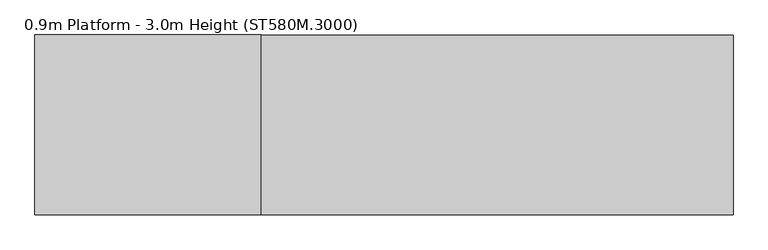
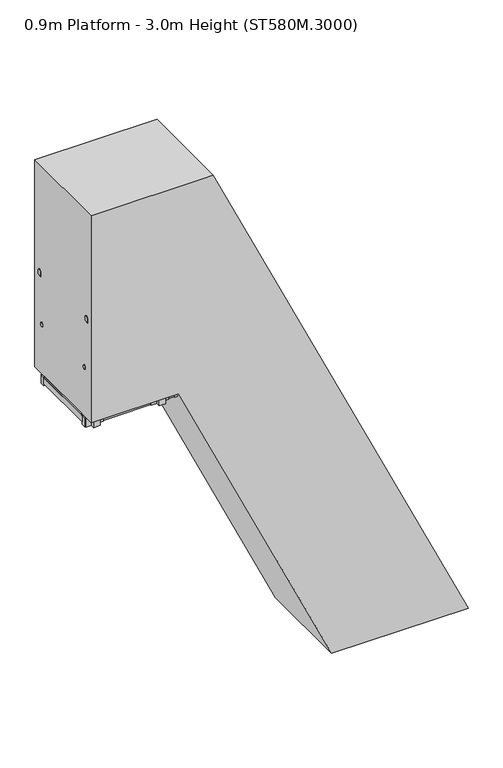
"""IFC4 building model written with IfcOpenShell, lengths in millimetres: proxy geometry, 0.9m Platform - 3.0m Height (ST580M.3000)."""

import ifcopenshell
import ifcopenshell.guid

model = None  # the IFC model being written
_history = None  # IfcOwnerHistory: only IFC2X3 demands one
_inside = {}  # id of a spatial element -> (the spatial element, [elements in it])
_under = {}  # id of a project, library or spatial element -> (it, [spatial elements below it])
_declared = {}  # id of a project -> (the project, [libraries it declares])
_typed = {}  # id of a type object -> (the type object, [elements of that type])
_made_of = {}  # id of a material, layer set ... -> (it, [elements and type objects made of it])


def new_model(schema):
    """Start an empty IFC model of exactly this schema.

    Asked for "IFC4X3", IfcOpenShell would pick the latest addendum, in which some entities
    have other attributes; the version numbers below select the first issue.
    IFC2X3 requires an IfcOwnerHistory on every rooted entity: one is made here for all.
    """
    global model, _history
    if schema == "IFC4X3":
        model = ifcopenshell.file(schema_version=(4, 3, 0, 0))
    else:
        model = ifcopenshell.file(schema=schema)
    _inside.clear()
    _under.clear()
    _declared.clear()
    _typed.clear()
    _made_of.clear()
    _history = None
    if model.schema == "IFC2X3":
        org = make("IfcOrganization", Name="unknown")
        user = make(
            "IfcPersonAndOrganization",
            ThePerson=make("IfcPerson", FamilyName="unknown"),
            TheOrganization=org,
        )
        app = make(
            "IfcApplication",
            ApplicationDeveloper=org,
            Version="unknown",
            ApplicationFullName="unknown",
            ApplicationIdentifier="unknown",
        )
        _history = make(
            "IfcOwnerHistory",
            OwningUser=user,
            OwningApplication=app,
            ChangeAction="ADDED",
            CreationDate=0,
        )
    return model


def make(cls, **values):
    """One entity of the class cls with the attributes given. An attribute that is None is left unset."""
    return model.create_entity(
        cls, **{name: value for name, value in values.items() if value is not None}
    )


def rooted(cls, **values):
    """An entity with a GlobalId (a new one), such as an element, a storey or a relation."""
    return make(cls, GlobalId=ifcopenshell.guid.new(), OwnerHistory=_history, **values)


def si_unit(unit_type, name, prefix=None):
    """IfcSIUnit, for example si_unit("LENGTHUNIT", "METRE", prefix="MILLI")."""
    return make("IfcSIUnit", UnitType=unit_type, Prefix=prefix, Name=name)


def assignment(units):
    """IfcUnitAssignment: the units of a project."""
    return None if units is None else make("IfcUnitAssignment", Units=units)


def point(xyz):
    """IfcCartesianPoint."""
    return None if xyz is None else make("IfcCartesianPoint", Coordinates=xyz)


def direction(xyz):
    """IfcDirection."""
    return None if xyz is None else make("IfcDirection", DirectionRatios=xyz)


def frame(location, z_axis=None, x_axis=None):
    """IfcAxis2Placement3D, a coordinate frame: its origin and axes. An axis left out is left unset."""
    return make(
        "IfcAxis2Placement3D",
        Location=point(location),
        Axis=direction(z_axis),
        RefDirection=direction(x_axis),
    )


def frame_2d(location, x_axis=None):
    """IfcAxis2Placement2D, a coordinate frame in the plane: its origin and x axis."""
    return make(
        "IfcAxis2Placement2D", Location=point(location), RefDirection=direction(x_axis)
    )


def origin():
    """The frame at (0, 0, 0) with its axes left unset."""
    return frame((0.0, 0.0, 0.0))


def origin_with_axes():
    """The frame at (0, 0, 0) with the z axis (0, 0, 1) and the x axis (1, 0, 0) written out."""
    return frame((0.0, 0.0, 0.0), z_axis=(0.0, 0.0, 1.0), x_axis=(1.0, 0.0, 0.0))


def place(relative_to, where):
    """IfcLocalPlacement: puts the frame where relative to a parent placement (None: the world)."""
    return make(
        "IfcLocalPlacement", PlacementRelTo=relative_to, RelativePlacement=where
    )


def context(
    kind, dimensions, precision=None, world=None, true_north=None, identifier=None
):
    """IfcGeometricRepresentationContext, for example the 3D "Model" context."""
    return make(
        "IfcGeometricRepresentationContext",
        ContextIdentifier=identifier,
        ContextType=kind,
        CoordinateSpaceDimension=dimensions,
        Precision=precision,
        WorldCoordinateSystem=world,
        TrueNorth=true_north,
    )


def project(units=None, contexts=None):
    """IfcProject with its units and contexts."""
    return rooted(
        "IfcProject",
        Name="project",
        RepresentationContexts=contexts,
        UnitsInContext=assignment(units),
    )


def spatial(cls, under=None, at=None, **own):
    """A site, building, storey or space (cls), placed at a placement, below another one or the project."""
    s = rooted(cls, ObjectPlacement=at, **own)
    if under is not None:
        _under.setdefault(under.id(), (under, []))[1].append(s)
    return s


def polyline(points):
    """IfcPolyline through the points."""
    return make("IfcPolyline", Points=[point(p) for p in points])


def circle_curve(where, radius):
    """IfcCircle in the frame where."""
    return make("IfcCircle", Position=where, Radius=radius)


def ellipse_curve(where, semi_axis1, semi_axis2):
    """IfcEllipse in the frame where."""
    return make(
        "IfcEllipse", Position=where, SemiAxis1=semi_axis1, SemiAxis2=semi_axis2
    )


def trimmed(basis, trim1, trim2, sense, master):
    """IfcTrimmedCurve: the piece of a basis curve between two trims."""
    return make(
        "IfcTrimmedCurve",
        BasisCurve=basis,
        Trim1=trim1,
        Trim2=trim2,
        SenseAgreement=sense,
        MasterRepresentation=master,
    )


def segment(curve, same_sense, transition):
    """IfcCompositeCurveSegment."""
    return make(
        "IfcCompositeCurveSegment",
        Transition=transition,
        SameSense=same_sense,
        ParentCurve=curve,
    )


def composite_curve(segments, self_intersect=None):
    """IfcCompositeCurve: segments joined end to end."""
    return make("IfcCompositeCurve", Segments=segments, SelfIntersect=self_intersect)


def outline(outer, holes=None, kind="AREA"):
    """IfcArbitraryClosedProfileDef: a profile drawn as a closed curve; with holes, ...WithVoids."""
    if holes is None:
        return make("IfcArbitraryClosedProfileDef", ProfileType=kind, OuterCurve=outer)
    return make(
        "IfcArbitraryProfileDefWithVoids",
        ProfileType=kind,
        OuterCurve=outer,
        InnerCurves=holes,
    )


def extrude(swept, where, along, depth):
    """IfcExtrudedAreaSolid: the profile swept, set in the frame where, extruded along a direction by depth."""
    return make(
        "IfcExtrudedAreaSolid",
        SweptArea=swept,
        Position=where,
        ExtrudedDirection=direction(along),
        Depth=depth,
    )


def shape(context_of_items, identifier, shape_type, items):
    """IfcShapeRepresentation: the items that make up one representation, for example the "Body"."""
    return make(
        "IfcShapeRepresentation",
        ContextOfItems=context_of_items,
        RepresentationIdentifier=identifier,
        RepresentationType=shape_type,
        Items=items,
    )


def source(mapping_origin, context_of_items, identifier, shape_type, items):
    """IfcRepresentationMap: a shape defined once, which mapped items show again and again."""
    return make(
        "IfcRepresentationMap",
        MappingOrigin=mapping_origin,
        MappedRepresentation=shape(context_of_items, identifier, shape_type, items),
    )


def transform(
    local_origin,
    x_axis=None,
    y_axis=None,
    z_axis=None,
    scale=None,
    scale2=None,
    scale3=None,
    uniform=True,
):
    """IfcCartesianTransformationOperator3D, or its non-uniform kind. x_axis, y_axis, z_axis: its Axis1, 2, 3."""
    if uniform:
        return make(
            "IfcCartesianTransformationOperator3D",
            Axis1=direction(x_axis),
            Axis2=direction(y_axis),
            LocalOrigin=point(local_origin),
            Scale=scale,
            Axis3=direction(z_axis),
        )
    return make(
        "IfcCartesianTransformationOperator3DnonUniform",
        Axis1=direction(x_axis),
        Axis2=direction(y_axis),
        LocalOrigin=point(local_origin),
        Scale=scale,
        Axis3=direction(z_axis),
        Scale2=scale2,
        Scale3=scale3,
    )


def mapped(mapping_source, mapping_target):
    """IfcMappedItem: shows the shape of a source again, moved by a transform."""
    return make(
        "IfcMappedItem", MappingSource=mapping_source, MappingTarget=mapping_target
    )


def made_of(thing, what):
    """Note that an element or type object is made of a material, layer set ...; save() writes the relation."""
    if what is not None:
        _made_of.setdefault(what.id(), (what, []))[1].append(thing)
    return thing


def element(
    cls,
    number,
    at=None,
    inside=None,
    cuts=None,
    type_object=None,
    material=None,
    context=None,
    identifier="Body",
    shape_type=None,
    held_by="IfcProductDefinitionShape",
    body=None,
    shapes=None,
    **own,
):
    """One element of the class cls, such as IfcWall. Its Tag is "e" and its number.

    at: its placement. inside: the storey or other place that contains it. cuts: it is an
    opening in that element (IfcRelVoidsElement). A single representation is given by context,
    identifier, shape_type and body (its items); several are given by shapes. held_by: the class
    of the entity that holds the representations. save() writes the other relations.
    """
    e = rooted(cls, Tag="e%d" % number, ObjectPlacement=at, **own)
    if body is not None:
        shapes = [shape(context, identifier, shape_type, body)]
    if shapes is not None:
        e.Representation = make(held_by, Representations=shapes)
    if inside is not None:
        _inside.setdefault(inside.id(), (inside, []))[1].append(e)
    if cuts is not None:
        rooted(
            "IfcRelVoidsElement", RelatingBuildingElement=cuts, RelatedOpeningElement=e
        )
    if type_object is not None:
        _typed.setdefault(type_object.id(), (type_object, []))[1].append(e)
    return made_of(e, material)


def aggregate(whole, parts):
    """IfcRelAggregates: a whole, such as a stair, and the parts it consists of."""
    return rooted("IfcRelAggregates", RelatingObject=whole, RelatedObjects=parts)


def save(model, path):
    """Write the relations noted so far, then the file.

    IfcRelAggregates (storeys below a building ...), IfcRelContainedInSpatialStructure (elements
    in a storey), IfcRelDefinesByType, IfcRelAssociatesMaterial and IfcRelDeclares: one each for
    every whole, place, type object, material and project.
    """
    for whole, parts in _under.values():
        aggregate(whole, parts)
    for where, things in _inside.values():
        rooted(
            "IfcRelContainedInSpatialStructure",
            RelatedElements=things,
            RelatingStructure=where,
        )
    for kind, things in _typed.values():
        rooted("IfcRelDefinesByType", RelatedObjects=things, RelatingType=kind)
    for what, things in _made_of.values():
        rooted("IfcRelAssociatesMaterial", RelatedObjects=things, RelatingMaterial=what)
    for by, libraries in _declared.values():
        rooted("IfcRelDeclares", RelatingContext=by, RelatedDefinitions=libraries)
    model.write(path)


def plane_surface(at):
    """IfcPlane: the flat surface through the origin of the frame at, square to its z axis."""
    return make("IfcPlane", Position=at)


def cylinder_surface(at, radius):
    """IfcCylindricalSurface: all points at the distance radius from the z axis of the frame at."""
    return make("IfcCylindricalSurface", Position=at, Radius=radius)


def advanced_brep(points, edges, surfaces, faces):
    """IfcAdvancedBrep: a solid bounded by faces that lie on surfaces and meet in shared edges.

    An edge is (start, end): straight between two places in points (the first is 0);
    or (start, end, curve); or (start, end, curve, False) where it runs against its curve.
    A face is (place in surfaces, loops), or (place, loops, False) where it looks against
    its surface's normal. A loop lists edges by number (the first is 1), with a minus sign
    where the edge is run from its end to its start. The first loop is the outer one.
    """
    corners = [point(p) for p in points]
    vertices = [make("IfcVertexPoint", VertexGeometry=c) for c in corners]
    made = []
    for start, end, *more in edges:
        made.append(
            make(
                "IfcEdgeCurve",
                EdgeStart=vertices[start],
                EdgeEnd=vertices[end],
                EdgeGeometry=more[0] if more else make("IfcPolyline", Points=[corners[start], corners[end]]),
                SameSense=more[1] if len(more) > 1 else True,
            )
        )
    hull = []
    for where, loops, *sense in faces:
        bounds = []
        for j, loop in enumerate(loops):
            ring = [make("IfcOrientedEdge", EdgeElement=made[abs(k) - 1], Orientation=k > 0) for k in loop]
            bounds.append(
                make(
                    "IfcFaceOuterBound" if j == 0 else "IfcFaceBound",
                    Bound=make("IfcEdgeLoop", EdgeList=ring),
                    Orientation=True,
                )
            )
        hull.append(make("IfcAdvancedFace", Bounds=bounds, FaceSurface=surfaces[where], SameSense=sense[0] if sense else True))
    return make("IfcAdvancedBrep", Outer=make("IfcClosedShell", CfsFaces=hull))


def proxy_0_9m_platform_3_0m_height_st580m_3000_2687ece0(model_context):
    return source(origin(), model_context, "Body", "SolidModel", [
        extrude(outline(polyline([(2750.0, -287.4249636), (2670.0, -250.120356), (2670.0, -139.782559), (2750.0, -177.0871716), (2750.0, -287.4249636)])), frame((0.0, 298.5, 0.0), z_axis=(0.0, 1.0, 0.0), x_axis=(0.0, 0.0, 1.0)), (0.0, 0.0, 1.0), 6.0),
        extrude(outline(polyline([(2750.0, -287.4249636), (2670.0, -250.120356), (2670.0, -139.782559), (2750.0, -177.0871716), (2750.0, -287.4249636)])), frame((0.0, -304.5, 0.0), z_axis=(0.0, 1.0, 0.0), x_axis=(0.0, 0.0, 1.0)), (0.0, 0.0, 1.0), 6.0),
        extrude(outline(polyline([(2750.0, -280.2530073), (2712.0999991, -262.5799491), (2712.0999991, -260.3731933), (2747.0, -276.6473288), (2747.0, -177.8950045), (2712.0999991, -161.6208668), (2712.0999991, -159.414111), (2750.0, -177.0871716), (2750.0, -197.5149128), (2749.2749538, -197.8530073), (2750.0, -198.1911019), (2750.0, -218.1149128), (2749.2749538, -218.4530073), (2750.0, -218.7911019), (2750.0, -238.7149128), (2749.2749538, -239.0530073), (2750.0, -239.3911019), (2750.0, -259.3149128), (2749.2749538, -259.6530073), (2750.0, -259.9911019), (2750.0, -280.2530073)])), frame((0.0, -298.5, 0.0), z_axis=(0.0, 1.0, 0.0), x_axis=(0.0, 0.0, 1.0)), (0.0, 0.0, 1.0), 597.0),
        extrude(outline(polyline([(2500.0, -170.8451391), (2420.0, -133.5405315), (2420.0, -23.2027344), (2500.0, -60.507347), (2500.0, -170.8451391)])), frame((0.0, 298.5, 0.0), z_axis=(0.0, 1.0, 0.0), x_axis=(0.0, 0.0, 1.0)), (0.0, 0.0, 1.0), 6.0),
        extrude(outline(polyline([(2500.0, -170.8451391), (2420.0, -133.5405315), (2420.0, -23.2027344), (2500.0, -60.507347), (2500.0, -170.8451391)])), frame((0.0, -304.5, 0.0), z_axis=(0.0, 1.0, 0.0), x_axis=(0.0, 0.0, 1.0)), (0.0, 0.0, 1.0), 6.0),
        extrude(outline(polyline([(2500.0, -163.6731828), (2462.0999991, -146.0001245), (2462.0999991, -143.7933687), (2497.0, -160.0675042), (2497.0, -61.3151799), (2462.0999991, -45.0410422), (2462.0999991, -42.8342864), (2500.0, -60.507347), (2500.0, -80.9350882), (2499.2749538, -81.2731828), (2500.0, -81.6112773), (2500.0, -101.5350882), (2499.2749538, -101.8731828), (2500.0, -102.2112773), (2500.0, -122.1350882), (2499.2749538, -122.4731828), (2500.0, -122.8112773), (2500.0, -142.7350882), (2499.2749538, -143.0731828), (2500.0, -143.4112773), (2500.0, -163.6731828)])), frame((0.0, -298.5, 0.0), z_axis=(0.0, 1.0, 0.0), x_axis=(0.0, 0.0, 1.0)), (0.0, 0.0, 1.0), 597.0),
        extrude(outline(polyline([(2250.0, -54.2653145), (2170.0, -16.9607069), (2170.0, 93.3770902), (2250.0, 56.0724775), (2250.0, -54.2653145)])), frame((0.0, 298.5, 0.0), z_axis=(0.0, 1.0, 0.0), x_axis=(0.0, 0.0, 1.0)), (0.0, 0.0, 1.0), 6.0),
        extrude(outline(polyline([(2250.0, -54.2653145), (2170.0, -16.9607069), (2170.0, 93.3770902), (2250.0, 56.0724775), (2250.0, -54.2653145)])), frame((0.0, -304.5, 0.0), z_axis=(0.0, 1.0, 0.0), x_axis=(0.0, 0.0, 1.0)), (0.0, 0.0, 1.0), 6.0),
        extrude(outline(polyline([(2250.0, -47.0933582), (2212.0999991, -29.4203), (2212.0999991, -27.2135442), (2247.0, -43.4876796), (2247.0, 55.2646447), (2212.0999991, 71.5387823), (2212.0999991, 73.7455382), (2250.0, 56.0724775), (2250.0, 35.6447364), (2249.2749538, 35.3066418), (2250.0, 34.9685472), (2250.0, 15.0447364), (2249.2749538, 14.7066418), (2250.0, 14.3685472), (2250.0, -5.5552636), (2249.2749538, -5.8933582), (2250.0, -6.2314528), (2250.0, -26.1552636), (2249.2749538, -26.4933582), (2250.0, -26.8314528), (2250.0, -47.0933582)])), frame((0.0, -298.5, 0.0), z_axis=(0.0, 1.0, 0.0), x_axis=(0.0, 0.0, 1.0)), (0.0, 0.0, 1.0), 597.0),
        extrude(outline(polyline([(2000.0, 62.3145101), (1920.0, 99.6191177), (1920.0, 209.9569147), (2000.0, 172.6523021), (2000.0, 62.3145101)])), frame((0.0, 298.5, 0.0), z_axis=(0.0, 1.0, 0.0), x_axis=(0.0, 0.0, 1.0)), (0.0, 0.0, 1.0), 6.0),
        extrude(outline(polyline([(2000.0, 62.3145101), (1920.0, 99.6191177), (1920.0, 209.9569147), (2000.0, 172.6523021), (2000.0, 62.3145101)])), frame((0.0, -304.5, 0.0), z_axis=(0.0, 1.0, 0.0), x_axis=(0.0, 0.0, 1.0)), (0.0, 0.0, 1.0), 6.0),
        extrude(outline(polyline([(2000.0, 69.4864664), (1962.0999991, 87.1595246), (1962.0999991, 89.3662804), (1997.0, 73.0921449), (1997.0, 171.8444692), (1962.0999991, 188.1186069), (1962.0999991, 190.3253627), (2000.0, 172.6523021), (2000.0, 152.2245609), (1999.2749538, 151.8864664), (2000.0, 151.5483718), (2000.0, 131.6245609), (1999.2749538, 131.2864664), (2000.0, 130.9483718), (2000.0, 111.0245609), (1999.2749538, 110.6864664), (2000.0, 110.3483718), (2000.0, 90.4245609), (1999.2749538, 90.0864664), (2000.0, 89.7483718), (2000.0, 69.4864664)])), frame((0.0, -298.5, 0.0), z_axis=(0.0, 1.0, 0.0), x_axis=(0.0, 0.0, 1.0)), (0.0, 0.0, 1.0), 597.0),
        extrude(outline(polyline([(1750.0, 178.8943346), (1670.0, 216.1989422), (1670.0, 326.5367393), (1750.0, 289.2321266), (1750.0, 178.8943346)])), frame((0.0, 298.5, 0.0), z_axis=(0.0, 1.0, 0.0), x_axis=(0.0, 0.0, 1.0)), (0.0, 0.0, 1.0), 6.0),
        extrude(outline(polyline([(1750.0, 178.8943346), (1670.0, 216.1989422), (1670.0, 326.5367393), (1750.0, 289.2321266), (1750.0, 178.8943346)])), frame((0.0, -304.5, 0.0), z_axis=(0.0, 1.0, 0.0), x_axis=(0.0, 0.0, 1.0)), (0.0, 0.0, 1.0), 6.0),
        extrude(outline(polyline([(1750.0, 186.0662909), (1712.0999991, 203.7393492), (1712.0999991, 205.9461049), (1747.0, 189.6719695), (1747.0, 288.4242938), (1712.0999991, 304.6984314), (1712.0999991, 306.9051873), (1750.0, 289.2321266), (1750.0, 268.8043855), (1749.2749538, 268.4662909), (1750.0, 268.1281963), (1750.0, 248.2043855), (1749.2749538, 247.8662909), (1750.0, 247.5281963), (1750.0, 227.6043855), (1749.2749538, 227.2662909), (1750.0, 226.9281963), (1750.0, 207.0043855), (1749.2749538, 206.6662909), (1750.0, 206.3281963), (1750.0, 186.0662909)])), frame((0.0, -298.5, 0.0), z_axis=(0.0, 1.0, 0.0), x_axis=(0.0, 0.0, 1.0)), (0.0, 0.0, 1.0), 597.0),
        extrude(outline(polyline([(1500.0, 295.4741592), (1420.0, 332.7787668), (1420.0, 443.1165638), (1500.0, 405.8119512), (1500.0, 295.4741592)])), frame((0.0, 298.5, 0.0), z_axis=(0.0, 1.0, 0.0), x_axis=(0.0, 0.0, 1.0)), (0.0, 0.0, 1.0), 6.0),
        extrude(outline(polyline([(1500.0, 295.4741592), (1420.0, 332.7787668), (1420.0, 443.1165638), (1500.0, 405.8119512), (1500.0, 295.4741592)])), frame((0.0, -304.5, 0.0), z_axis=(0.0, 1.0, 0.0), x_axis=(0.0, 0.0, 1.0)), (0.0, 0.0, 1.0), 6.0),
        extrude(outline(polyline([(1500.0, 302.6461155), (1462.0999991, 320.3191737), (1462.0999991, 322.5259295), (1497.0, 306.251794), (1497.0, 405.0041183), (1462.0999991, 421.278256), (1462.0999991, 423.4850118), (1500.0, 405.8119512), (1500.0, 385.38421), (1499.2749538, 385.0461155), (1500.0, 384.7080209), (1500.0, 364.78421), (1499.2749538, 364.4461155), (1500.0, 364.1080209), (1500.0, 344.18421), (1499.2749538, 343.8461155), (1500.0, 343.5080209), (1500.0, 323.58421), (1499.2749538, 323.2461155), (1500.0, 322.9080209), (1500.0, 302.6461155)])), frame((0.0, -298.5, 0.0), z_axis=(0.0, 1.0, 0.0), x_axis=(0.0, 0.0, 1.0)), (0.0, 0.0, 1.0), 597.0),
        extrude(outline(polyline([(1250.0, 412.0539837), (1170.0, 449.3585913), (1170.0, 559.6963884), (1250.0, 522.3917758), (1250.0, 412.0539837)])), frame((0.0, 298.5, 0.0), z_axis=(0.0, 1.0, 0.0), x_axis=(0.0, 0.0, 1.0)), (0.0, 0.0, 1.0), 6.0),
        extrude(outline(polyline([(1250.0, 412.0539837), (1170.0, 449.3585913), (1170.0, 559.6963884), (1250.0, 522.3917758), (1250.0, 412.0539837)])), frame((0.0, -304.5, 0.0), z_axis=(0.0, 1.0, 0.0), x_axis=(0.0, 0.0, 1.0)), (0.0, 0.0, 1.0), 6.0),
        extrude(outline(polyline([(1250.0, 419.22594), (1212.0999991, 436.8989983), (1212.0999991, 439.1057541), (1247.0, 422.8316186), (1247.0, 521.5839429), (1212.0999991, 537.8580806), (1212.0999991, 540.0648364), (1250.0, 522.3917758), (1250.0, 501.9640346), (1249.2749538, 501.62594), (1250.0, 501.2878455), (1250.0, 481.3640346), (1249.2749538, 481.02594), (1250.0, 480.6878455), (1250.0, 460.7640346), (1249.2749538, 460.42594), (1250.0, 460.0878455), (1250.0, 440.1640346), (1249.2749538, 439.82594), (1250.0, 439.4878455), (1250.0, 419.22594)])), frame((0.0, -298.5, 0.0), z_axis=(0.0, 1.0, 0.0), x_axis=(0.0, 0.0, 1.0)), (0.0, 0.0, 1.0), 597.0),
        extrude(outline(polyline([(1000.0, 528.6338083), (920.0, 565.9384159), (920.0, 676.276213), (1000.0, 638.9716003), (1000.0, 528.6338083)])), frame((0.0, 298.5, 0.0), z_axis=(0.0, 1.0, 0.0), x_axis=(0.0, 0.0, 1.0)), (0.0, 0.0, 1.0), 6.0),
        extrude(outline(polyline([(1000.0, 528.6338083), (920.0, 565.9384159), (920.0, 676.276213), (1000.0, 638.9716003), (1000.0, 528.6338083)])), frame((0.0, -304.5, 0.0), z_axis=(0.0, 1.0, 0.0), x_axis=(0.0, 0.0, 1.0)), (0.0, 0.0, 1.0), 6.0),
        extrude(outline(polyline([(1000.0, 535.8057646), (962.0999991, 553.4788228), (962.0999991, 555.6855786), (997.0, 539.4114432), (997.0, 638.1637674), (962.0999991, 654.4379051), (962.0999991, 656.644661), (1000.0, 638.9716003), (1000.0, 618.5438592), (999.2749538, 618.2057646), (1000.0, 617.86767), (1000.0, 597.9438592), (999.2749538, 597.6057646), (1000.0, 597.26767), (1000.0, 577.3438592), (999.2749538, 577.0057646), (1000.0, 576.66767), (1000.0, 556.7438592), (999.2749538, 556.4057646), (1000.0, 556.06767), (1000.0, 535.8057646)])), frame((0.0, -298.5, 0.0), z_axis=(0.0, 1.0, 0.0), x_axis=(0.0, 0.0, 1.0)), (0.0, 0.0, 1.0), 597.0),
        extrude(outline(polyline([(750.0, 645.2136328), (670.0, 682.5182404), (670.0, 792.8560375), (750.0, 755.5514249), (750.0, 645.2136328)])), frame((0.0, 298.5, 0.0), z_axis=(0.0, 1.0, 0.0), x_axis=(0.0, 0.0, 1.0)), (0.0, 0.0, 1.0), 6.0),
        extrude(outline(polyline([(750.0, 645.2136328), (670.0, 682.5182404), (670.0, 792.8560375), (750.0, 755.5514249), (750.0, 645.2136328)])), frame((0.0, -304.5, 0.0), z_axis=(0.0, 1.0, 0.0), x_axis=(0.0, 0.0, 1.0)), (0.0, 0.0, 1.0), 6.0),
        extrude(outline(polyline([(750.0, 652.3855891), (712.0999991, 670.0586474), (712.0999991, 672.2654032), (747.0, 655.9912677), (747.0, 754.743592), (712.0999991, 771.0177297), (712.0999991, 773.2244855), (750.0, 755.5514249), (750.0, 735.1236837), (749.2749538, 734.7855891), (750.0, 734.4474946), (750.0, 714.5236837), (749.2749538, 714.1855891), (750.0, 713.8474946), (750.0, 693.9236837), (749.2749538, 693.5855891), (750.0, 693.2474946), (750.0, 673.3236837), (749.2749538, 672.9855891), (750.0, 672.6474946), (750.0, 652.3855891)])), frame((0.0, -298.5, 0.0), z_axis=(0.0, 1.0, 0.0), x_axis=(0.0, 0.0, 1.0)), (0.0, 0.0, 1.0), 597.0),
        extrude(outline(polyline([(500.0, 761.7934574), (420.0, 799.098065), (420.0, 909.4358621), (500.0, 872.1312494), (500.0, 761.7934574)])), frame((0.0, 298.5, 0.0), z_axis=(0.0, 1.0, 0.0), x_axis=(0.0, 0.0, 1.0)), (0.0, 0.0, 1.0), 6.0),
        extrude(outline(polyline([(500.0, 761.7934574), (420.0, 799.098065), (420.0, 909.4358621), (500.0, 872.1312494), (500.0, 761.7934574)])), frame((0.0, -304.5, 0.0), z_axis=(0.0, 1.0, 0.0), x_axis=(0.0, 0.0, 1.0)), (0.0, 0.0, 1.0), 6.0),
        extrude(outline(polyline([(500.0, 768.9654137), (462.0999991, 786.638472), (462.0999991, 788.8452277), (497.0, 772.5710923), (497.0, 871.3234166), (462.0999991, 887.5975542), (462.0999991, 889.8043101), (500.0, 872.1312494), (500.0, 851.7035083), (499.2749538, 851.3654137), (500.0, 851.0273191), (500.0, 831.1035083), (499.2749538, 830.7654137), (500.0, 830.4273191), (500.0, 810.5035083), (499.2749538, 810.1654137), (500.0, 809.8273191), (500.0, 789.9035083), (499.2749538, 789.5654137), (500.0, 789.2273191), (500.0, 768.9654137)])), frame((0.0, -298.5, 0.0), z_axis=(0.0, 1.0, 0.0), x_axis=(0.0, 0.0, 1.0)), (0.0, 0.0, 1.0), 597.0),
        extrude(outline(polyline([(0.0, -6.0), (0.0, 0.0), (50.0, 0.0), (50.0, -6.0), (0.0, -6.0)])), frame((68.898791, 296.0, 1938.5847001), z_axis=(-8.781861803253131e-06, 0.0, 0.9999999999614395), x_axis=(0.0, -1.0, 0.0)), (0.0, 0.0, 1.0), 120.0),
        extrude(outline(polyline([(2000.5856226, 173.9440907), (2058.585385, 146.8977372), (2058.5847001, 68.8977372), (2000.5847001, 68.8982465), (2000.5856226, 173.9440907)])), frame((0.0, 252.0, 0.0), z_axis=(0.0, 1.0, 0.0), x_axis=(0.0, 0.0, 1.0)), (0.0, 0.0, 1.0), 38.0),
        extrude(outline(polyline([(0.0, -6.0), (0.0, 0.0), (50.0, 0.0), (50.0, -6.0), (0.0, -6.0)])), frame((62.898791, -296.0, 1938.5846474), z_axis=(-8.78186180075513e-06, 0.0, 0.9999999999614396), x_axis=(0.0, 1.0, 0.0)), (0.0, 0.0, 1.0), 120.0),
        extrude(outline(polyline([(2000.5856226, 173.9440907), (2058.585385, 146.8977372), (2058.5847001, 68.8977372), (2000.5847001, 68.8982465), (2000.5856226, 173.9440907)])), frame((0.0, -290.0, 0.0), z_axis=(0.0, 1.0, 0.0), x_axis=(0.0, 0.0, 1.0)), (0.0, 0.0, 1.0), 38.0),
        extrude(outline(polyline([(0.0, -590.0), (0.0, 0.0), (2.0, 0.0), (2.0, -590.0), (0.0, -590.0)])), frame((1127.7195037, -295.0, 49.9008248), z_axis=(-0.42262622079413276, 0.0, 0.9063040756265356), x_axis=(-0.9063040756265356, 0.0, -0.42262622079413276)), (0.0, 0.0, 1.0), 2240.0),
        extrude(outline(polyline([(2250.0, 0.0), (2250.0, -600.0), (0.0, -600.0), (0.0, 0.0), (2250.0, 0.0)]), holes=[polyline([(1096.0, -58.0), (58.0, -58.0), (58.0, -542.0), (1096.0, -542.0), (1096.0, -58.0)]), polyline([(1154.0, -542.0), (2192.0, -542.0), (2192.0, -58.0), (1154.0, -58.0), (1154.0, -542.0)])]), frame((142.671475, 300.0, 2067.6484258), z_axis=(0.9063040756265356, 0.0, 0.42262622079413276), x_axis=(0.42262622079413276, 0.0, -0.9063040756265356)), (0.0, 0.0, 1.0), 38.0),
        extrude(outline(polyline([(0.0, 0.0), (79.9999999, 0.0), (79.9999999, -6.0), (5.9999999, -6.0), (5.9999999, -50.0), (0.0, -50.0), (0.0, 0.0)])), frame((1025.9602764, 343.0, 173.4729077), z_axis=(-0.42262622079413276, 0.0, 0.9063040756265356), x_axis=(-0.9063040756265356, 0.0, -0.42262622079413276)), (0.0, 0.0, 1.0), 50.0),
        extrude(outline(polyline([(0.0, 686.0), (0.0, 736.0), (5.9999999, 736.0), (5.9999999, 692.0), (79.9999999, 692.0), (79.9999999, 686.0), (0.0, 686.0)])), frame((1025.9602764, 343.0, 173.4729077), z_axis=(-0.42262622079413276, 0.0, 0.9063040756265356), x_axis=(-0.9063040756265356, 0.0, -0.42262622079413276)), (0.0, 0.0, 1.0), 50.0),
        extrude(outline(polyline([(-100.0, 0.0), (0.0, 0.0), (0.0, -50.0), (-6.0, -50.0), (-6.0, -6.0000001), (-100.0, -6.0000001), (-100.0, 0.0)])), frame((1025.9602764, -300.0, 173.4729077), z_axis=(-0.42262622079413276, 0.0, 0.9063040756265356), x_axis=(0.0, 1.0, 0.0)), (0.0, 0.0, 1.0), 50.0),
        extrude(outline(polyline([(700.0, 0.0), (700.0, -6.0000001), (606.0, -6.0000001), (606.0, -50.0), (600.0, -50.0), (600.0, 0.0), (700.0, 0.0)])), frame((1025.9602764, -300.0, 173.4729077), z_axis=(-0.42262622079413276, 0.0, 0.9063040756265356), x_axis=(0.0, 1.0, 0.0)), (0.0, 0.0, 1.0), 50.0),
        extrude(outline(polyline([(1117.980178, 629.6545025), (1132.3752601, 675.9041685), (1038.1196362, 719.8572955), (1011.9426011, 679.1017703), (989.2849992, 689.6674258), (993.5112614, 698.7304666), (1008.0121267, 691.9684471), (1034.1891617, 732.7239722), (1144.758259, 681.1635733), (1130.3631769, 634.9139072), (1144.8640421, 628.1518877), (1140.6377799, 619.088847), (1117.980178, 629.6545025)])), frame((0.0, 201.0, 0.0), z_axis=(0.0, 1.0, 0.0), x_axis=(0.0, 0.0, 1.0)), (0.0, 0.0, 1.0), 44.0),
        extrude(outline(polyline([(1117.980178, 629.6545025), (1132.3752601, 675.9041685), (1038.1196362, 719.8572955), (1011.9426011, 679.1017703), (989.2849992, 689.6674258), (993.5112614, 698.7304666), (1008.0121267, 691.9684471), (1034.1891617, 732.7239722), (1144.758259, 681.1635733), (1130.3631769, 634.9139072), (1144.8640421, 628.1518877), (1140.6377799, 619.088847), (1117.980178, 629.6545025)])), frame((0.0, -245.0, 0.0), z_axis=(0.0, 1.0, 0.0), x_axis=(0.0, 0.0, 1.0)), (0.0, 0.0, 1.0), 44.0),
        extrude(outline(polyline([(-0.0541093, 0.0), (0.7582532, 5.9447512), (185.4590012, 5.9447512), (254.8144323, -3.5328109), (254.0020698, -9.4775622), (184.6466388, 0.0), (-0.0541093, 0.0)])), frame((796.3613539, 375.0, 1079.9808913), z_axis=(-0.42262622079413276, 0.0, 0.9063040756265356), x_axis=(-0.8979587117354814, -0.13539374535780632, -0.41873462447753246)), (0.0, 0.0, 1.0), 80.0),
        extrude(outline(polyline([(-0.0541094, 0.0), (0.7582531, 5.9447512), (185.4590013, 5.9447512), (254.8144324, -3.5328109), (254.0020699, -9.4775622), (184.6466388, 0.0), (-0.0541094, 0.0)])), frame((-31.1832465, 375.0, 2854.6153252), z_axis=(-0.42262622079413276, 0.0, 0.9063040756265356), x_axis=(-0.8979587117354814, -0.13539374535780632, -0.41873462447753246)), (0.0, 0.0, 1.0), 80.0),
        extrude(outline(polyline([(0.0, 32.0), (3.0000001, 32.0), (3.0000001, 0.0), (0.0, 0.0), (0.0, 32.0)])), frame((811.8076407, 388.0, 1054.0823052), z_axis=(-0.42262622079413276, 0.0, 0.9063040756265356), x_axis=(-0.9063040756265356, 0.0, -0.42262622079413276)), (0.0, 0.0, 1.0), 140.0),
        extrude(outline(polyline([(0.0, 32.0), (3.0, 32.0), (3.0, 0.0), (0.0, 0.0), (0.0, 32.0)])), frame((-15.7369597, 388.0, 2828.716739), z_axis=(-0.42262622079413276, 0.0, 0.9063040756265356), x_axis=(-0.9063040756265356, 0.0, -0.42262622079413276)), (0.0, 0.0, 1.0), 140.0),
        extrude(outline(composite_curve([segment(trimmed(circle_curve(frame_2d((0.0, 14.189404)), 22.4521533), [point((-17.4, 0.0))], [point((17.4, 0.0))], False, "CARTESIAN"), True, "CONTINUOUS"), segment(polyline([(17.4, 0.0), (-17.4, 0.0)]), True, "CONTINUOUS")], self_intersect=False)), frame((883.6540982, 372.0, 900.0106123), z_axis=(-0.42262622079413276, 0.0, 0.9063040756265356), x_axis=(0.0, -1.0, 0.0)), (0.0, 0.0, 1.0), 3288.1004671),
        extrude(outline(polyline([(-0.0541093, 0.0), (184.6466389, 0.0), (254.0020699, 9.4775622), (254.8144324, 3.5328109), (185.4590014, -5.9447512), (0.7582532, -5.9447512), (-0.0541093, 0.0)])), frame((796.3608039, -375.0, 1079.9820711), z_axis=(-0.42262622079413276, 0.0, 0.9063040756265356), x_axis=(-0.8979587117354814, 0.13539374535780632, -0.41873462447753246)), (0.0, 0.0, 1.0), 80.0),
        extrude(outline(polyline([(-0.0541093, 0.0), (184.6466388, 0.0), (254.0020698, 9.4775622), (254.8144323, 3.5328109), (185.4590013, -5.9447512), (0.7582532, -5.9447512), (-0.0541093, 0.0)])), frame((-31.1837965, -375.0, 2854.6165049), z_axis=(-0.42262622079413276, 0.0, 0.9063040756265356), x_axis=(-0.8979587117354814, 0.13539374535780632, -0.41873462447753246)), (0.0, 0.0, 1.0), 80.0),
        extrude(outline(polyline([(0.0, -32.0), (0.0, 0.0), (3.0, 0.0), (3.0, -32.0), (0.0, -32.0)])), frame((811.8070906, -388.0, 1054.0834849), z_axis=(-0.42262622079413276, 0.0, 0.9063040756265356), x_axis=(-0.9063040756265356, 0.0, -0.42262622079413276)), (0.0, 0.0, 1.0), 140.0),
        extrude(outline(polyline([(0.0, -32.0), (0.0, 0.0), (2.9999999, 0.0), (2.9999999, -32.0), (0.0, -32.0)])), frame((-15.7375097, -388.0, 2828.7179187), z_axis=(-0.42262622079413276, 0.0, 0.9063040756265356), x_axis=(-0.9063040756265356, 0.0, -0.42262622079413276)), (0.0, 0.0, 1.0), 140.0),
        extrude(outline(composite_curve([segment(polyline([(-17.4, 0.0), (17.4, 0.0)]), True, "CONTINUOUS"), segment(trimmed(circle_curve(frame_2d((0.0, -14.189404)), 22.4521533), [point((17.4, 0.0))], [point((-17.4, 0.0))], False, "CARTESIAN"), True, "CONTINUOUS")], self_intersect=False)), frame((883.6535482, -372.0, 900.011792), z_axis=(-0.42262622079413276, 0.0, 0.9063040756265356), x_axis=(0.0, 1.0, 0.0)), (0.0, 0.0, 1.0), 3288.1004671),
        extrude(outline(polyline([(3000.0, -404.0047882), (2920.0, -366.7001806), (2920.0, -256.3623835), (3000.0, -293.6669962), (3000.0, -404.0047882)])), frame((0.0, 298.5, 0.0), z_axis=(0.0, 1.0, 0.0), x_axis=(0.0, 0.0, 1.0)), (0.0, 0.0, 1.0), 6.0),
        extrude(outline(polyline([(3000.0, -404.0047882), (2920.0, -366.7001806), (2920.0, -256.3623835), (3000.0, -293.6669962), (3000.0, -404.0047882)])), frame((0.0, -304.5, 0.0), z_axis=(0.0, 1.0, 0.0), x_axis=(0.0, 0.0, 1.0)), (0.0, 0.0, 1.0), 6.0),
        extrude(outline(polyline([(3000.0, -396.8328319), (2962.0999991, -379.1597736), (2962.0999991, -376.9530179), (2997.0, -393.2271533), (2997.0, -294.474829), (2962.0999991, -278.2006914), (2962.0999991, -275.9939355), (3000.0, -293.6669962), (3000.0, -314.0947373), (2999.2749538, -314.4328319), (3000.0, -314.7709265), (3000.0, -334.6947373), (2999.2749538, -335.0328319), (3000.0, -335.3709265), (3000.0, -355.2947373), (2999.2749538, -355.6328319), (3000.0, -355.9709265), (3000.0, -375.8947373), (2999.2749538, -376.2328319), (3000.0, -376.5709265), (3000.0, -396.8328319)])), frame((0.0, -298.5, 0.0), z_axis=(0.0, 1.0, 0.0), x_axis=(0.0, 0.0, 1.0)), (0.0, 0.0, 1.0), 597.0),
        extrude(outline(polyline([(250.0, 878.373282), (170.0, 915.6778896), (170.0, 1026.0156866), (250.0, 988.711074), (250.0, 878.373282)])), frame((0.0, 298.5, 0.0), z_axis=(0.0, 1.0, 0.0), x_axis=(0.0, 0.0, 1.0)), (0.0, 0.0, 1.0), 6.0),
        extrude(outline(polyline([(250.0, 878.373282), (170.0, 915.6778896), (170.0, 1026.0156866), (250.0, 988.711074), (250.0, 878.373282)])), frame((0.0, -304.5, 0.0), z_axis=(0.0, 1.0, 0.0), x_axis=(0.0, 0.0, 1.0)), (0.0, 0.0, 1.0), 6.0),
        extrude(outline(polyline([(250.0, 885.5452383), (212.0999991, 903.2182965), (212.0999991, 905.4250523), (247.0, 889.1509168), (247.0, 987.9032411), (212.0999991, 1004.1773788), (212.0999991, 1006.3841346), (250.0, 988.711074), (250.0, 968.2833328), (249.2749538, 967.9452383), (250.0, 967.6071437), (250.0, 947.6833328), (249.2749538, 947.3452383), (250.0, 947.0071437), (250.0, 927.0833328), (249.2749538, 926.7452383), (250.0, 926.4071437), (250.0, 906.4833328), (249.2749538, 906.1452383), (250.0, 905.8071437), (250.0, 885.5452383)])), frame((0.0, -298.5, 0.0), z_axis=(0.0, 1.0, 0.0), x_axis=(0.0, 0.0, 1.0)), (0.0, 0.0, 1.0), 597.0),
        extrude(outline(polyline([(-396.8328319, -304.5), (-434.8328319, -304.5), (-434.8328319, 304.5), (-396.8328319, 304.5), (-396.8328319, -304.5)])), frame((0.0, 0.0, 2901.0), z_axis=(0.0, 0.0, 1.0), x_axis=(1.0, 0.0, 0.0)), (0.0, 0.0, 1.0), 80.0),
        extrude(outline(polyline([(-1256.8328319, -304.5), (-1294.8328319, -304.5), (-1294.8328319, 304.5), (-1256.8328319, 304.5), (-1256.8328319, -304.5)])), frame((0.0, 0.0, 2923.0), z_axis=(0.0, 0.0, 1.0), x_axis=(1.0, 0.0, 0.0)), (0.0, 0.0, 1.0), 58.0),
        extrude(outline(polyline([(-826.8328319, -304.5), (-864.8328319, -304.5), (-864.8328319, 304.5), (-826.8328319, 304.5), (-826.8328319, -304.5)])), frame((0.0, 0.0, 2923.0), z_axis=(0.0, 0.0, 1.0), x_axis=(1.0, 0.0, 0.0)), (0.0, 0.0, 1.0), 58.0),
        extrude(outline(composite_curve([segment(polyline([(353.0, 3478.0), (353.0, 3468.0)]), True, "CONTINUOUS"), segment(trimmed(circle_curve(frame_2d((338.0, 3468.0)), 15.0), [point((353.0, 3468.0))], [point((323.0, 3468.0))], False, "CARTESIAN"), True, "CONTINUOUS"), segment(polyline([(323.0, 3468.0), (323.0, 3478.0)]), True, "CONTINUOUS"), segment(trimmed(circle_curve(frame_2d((338.0, 3478.0)), 15.0), [point((323.0, 3478.0))], [point((353.0, 3478.0))], False, "CARTESIAN"), True, "CONTINUOUS")], self_intersect=False)), frame((-1296.8328319, 0.0, 0.0), z_axis=(1.0, 0.0, 0.0), x_axis=(0.0, 1.0, 0.0)), (0.0, 0.0, 1.0), 885.0),
        extrude(outline(composite_curve([segment(trimmed(circle_curve(frame_2d((-338.0, 3478.0)), 15.0), [point((-353.0, 3478.0))], [point((-323.0, 3478.0))], False, "CARTESIAN"), True, "CONTINUOUS"), segment(polyline([(-323.0, 3478.0), (-323.0, 3468.0)]), True, "CONTINUOUS"), segment(trimmed(circle_curve(frame_2d((-338.0, 3468.0)), 15.0), [point((-323.0, 3468.0))], [point((-353.0, 3468.0))], False, "CARTESIAN"), True, "CONTINUOUS"), segment(polyline([(-353.0, 3468.0), (-353.0, 3478.0)]), True, "CONTINUOUS")], self_intersect=False)), frame((-1296.8328319, 0.0, 0.0), z_axis=(1.0, 0.0, 0.0), x_axis=(0.0, 1.0, 0.0)), (0.0, 0.0, 1.0), 885.0),
        extrude(outline(polyline([(-692.8328319, 353.0), (-532.8328319, 353.0), (-532.8328319, 343.0), (-692.8328319, 343.0), (-692.8328319, 353.0)])), frame((0.0, 0.0, 2901.0), z_axis=(0.0, 0.0, 1.0), x_axis=(1.0, 0.0, 0.0)), (0.0, 0.0, 1.0), 80.0),
        extrude(outline(polyline([(-692.8328319, -343.0), (-532.8328319, -343.0), (-532.8328319, -353.0), (-692.8328319, -353.0), (-692.8328319, -343.0)])), frame((0.0, 0.0, 2901.0), z_axis=(0.0, 0.0, 1.0), x_axis=(1.0, 0.0, 0.0)), (0.0, 0.0, 1.0), 80.0),
        extrude(outline(polyline([(-583.8328319, 391.0), (-583.8328319, 353.0), (-641.8328319, 353.0), (-641.8328319, 391.0), (-583.8328319, 391.0)])), frame((0.0, 0.0, 2901.0), z_axis=(0.0, 0.0, 1.0), x_axis=(1.0, 0.0, 0.0)), (0.0, 0.0, 1.0), 1029.0),
        extrude(outline(polyline([(-583.8328319, -353.0), (-583.8328319, -391.0), (-641.8328319, -391.0), (-641.8328319, -353.0), (-583.8328319, -353.0)])), frame((0.0, 0.0, 2901.0), z_axis=(0.0, 0.0, 1.0), x_axis=(1.0, 0.0, 0.0)), (0.0, 0.0, 1.0), 1029.0),
        advanced_brep(
        [(-556.8328319, 372.0, 3942.0), (-556.8328319, 372.0, 3987.0), (-544.1016939, 372.0, 3942.0), (-515.4337404, 372.0, 3987.0), (-513.5569732, 372.0, 3876.4977609), (-472.773248, 372.0, 3895.5158512)],
        [
            (0, 1, circle_curve(frame((-556.8328319, 372.0, 3964.5), z_axis=(-1.0, 0.0, 0.0), x_axis=(0.0, 0.0, 1.0)), 22.5)),
            (1, 0, circle_curve(frame((-556.8328319, 372.0, 3964.5), z_axis=(-1.0, 0.0, 0.0), x_axis=(0.0, 0.0, 1.0)), 22.5)),
            (0, 2),
            (2, 3, ellipse_curve(frame((-529.7677171, 372.0, 3964.5), z_axis=(-0.8433932143583001, 0.0, 0.5372968322765121), x_axis=(-0.5372968322765123, 0.0, -0.8433932143583)), 26.6779476, 22.5)),
            (3, 1),
            (3, 2, ellipse_curve(frame((-529.7677171, 372.0, 3964.5), z_axis=(-0.8433932143583001, 0.0, 0.5372968322765121), x_axis=(-0.5372968322765123, 0.0, -0.8433932143583)), 26.6779476, 22.5)),
            (4, 5, circle_curve(frame((-493.1651106, 372.0, 3886.0068061), z_axis=(0.4226242280512512, 0.0, -0.9063050048764401), x_axis=(0.9063050048764401, 0.0, 0.4226242280512512)), 22.5)),
            (5, 4, circle_curve(frame((-493.1651106, 372.0, 3886.0068061), z_axis=(0.4226242280512512, 0.0, -0.9063050048764401), x_axis=(0.9063050048764401, 0.0, 0.4226242280512512)), 22.5)),
            (2, 4),
            (5, 3),
        ],
        [
            plane_surface(frame((-556.8328319, 0.0, 3987.0), z_axis=(-1.0, 0.0, 0.0), x_axis=(0.0, -1.0, 0.0))),
            cylinder_surface(frame((-556.8328319, 372.0, 3964.5), z_axis=(-1.0, 0.0, 0.0), x_axis=(0.0, 0.0, 1.0)), 22.5),
            plane_surface(frame((-472.773248, 0.0, 3895.5158512), z_axis=(0.42262422805125116, 0.0, -0.9063050048764401), x_axis=(0.0, -1.0, 0.0))),
            cylinder_surface(frame((-535.825603, 372.0, 3977.4909549), z_axis=(-0.4226242280512512, 0.0, 0.9063050048764401), x_axis=(0.9063050048764401, 0.0, 0.4226242280512512)), 22.5),
        ],
        [
            (0, [[1, 2]]),
            (1, [[-1, 3, 4, 5]]),
            (1, [[-2, -5, 6, -3]]),
            (2, [[7, 8]]),
            (3, [[-4, 9, -8, 10]]),
            (3, [[-6, -10, -7, -9]]),
        ],
    ),
        advanced_brep(
        [(-556.8328319, -372.0, 3942.0), (-556.8328319, -372.0, 3987.0), (-544.1016939, -372.0, 3942.0), (-515.4337404, -372.0, 3987.0), (-513.5569732, -372.0, 3876.4977609), (-472.773248, -372.0, 3895.5158512)],
        [
            (0, 1, circle_curve(frame((-556.8328319, -372.0, 3964.5), z_axis=(-1.0, 0.0, 0.0), x_axis=(0.0, 0.0, 1.0)), 22.5)),
            (1, 0, circle_curve(frame((-556.8328319, -372.0, 3964.5), z_axis=(-1.0, 0.0, 0.0), x_axis=(0.0, 0.0, 1.0)), 22.5)),
            (0, 2),
            (2, 3, ellipse_curve(frame((-529.7677171, -372.0, 3964.5), z_axis=(-0.8433932143583001, 0.0, 0.5372968322765121), x_axis=(-0.5372968322765123, 0.0, -0.8433932143583)), 26.6779476, 22.5)),
            (3, 1),
            (3, 2, ellipse_curve(frame((-529.7677171, -372.0, 3964.5), z_axis=(-0.8433932143583001, 0.0, 0.5372968322765121), x_axis=(-0.5372968322765123, 0.0, -0.8433932143583)), 26.6779476, 22.5)),
            (4, 5, circle_curve(frame((-493.1651106, -372.0, 3886.0068061), z_axis=(0.4226242280512512, 0.0, -0.9063050048764401), x_axis=(0.9063050048764401, 0.0, 0.4226242280512512)), 22.5)),
            (5, 4, circle_curve(frame((-493.1651106, -372.0, 3886.0068061), z_axis=(0.4226242280512512, 0.0, -0.9063050048764401), x_axis=(0.9063050048764401, 0.0, 0.4226242280512512)), 22.5)),
            (2, 4),
            (5, 3),
        ],
        [
            plane_surface(frame((-556.8328319, 0.0, 3987.0), z_axis=(-1.0, 0.0, 0.0), x_axis=(0.0, -1.0, 0.0))),
            cylinder_surface(frame((-556.8328319, -372.0, 3964.5), z_axis=(-1.0, 0.0, 0.0), x_axis=(0.0, 0.0, 1.0)), 22.5),
            plane_surface(frame((-472.773248, 0.0, 3895.5158512), z_axis=(0.42262422805125116, 0.0, -0.9063050048764401), x_axis=(0.0, -1.0, 0.0))),
            cylinder_surface(frame((-535.825603, -372.0, 3977.4909549), z_axis=(-0.4226242280512512, 0.0, 0.9063050048764401), x_axis=(0.9063050048764401, 0.0, 0.4226242280512512)), 22.5),
        ],
        [
            (0, [[1, 2]]),
            (1, [[-1, 3, 4, 5]]),
            (1, [[-2, -5, 6, -3]]),
            (2, [[7, 8]]),
            (3, [[-4, 9, -8, 10]]),
            (3, [[-6, -10, -7, -9]]),
        ],
    ),
        extrude(outline(polyline([(-1258.8328319, -304.5), (-1296.8328319, -304.5), (-1296.8328319, 304.5), (-1258.8328319, 304.5), (-1258.8328319, -304.5)])), frame((0.0, 0.0, 2923.0), z_axis=(0.0, 0.0, 1.0), x_axis=(1.0, 0.0, 0.0)), (0.0, 0.0, 1.0), 58.0),
        extrude(outline(composite_curve([segment(polyline([(349.5, 3930.0), (349.5, 3964.5)]), True, "CONTINUOUS"), segment(trimmed(circle_curve(frame_2d((372.0, 3964.5)), 22.5), [point((349.5, 3964.5))], [point((394.5, 3964.5))], False, "CARTESIAN"), True, "CONTINUOUS"), segment(polyline([(394.5, 3964.5), (394.5, 3930.0), (349.5, 3930.0)]), True, "CONTINUOUS")], self_intersect=False)), frame((-1296.8328319, 0.0, 0.0), z_axis=(1.0, 0.0, 0.0), x_axis=(0.0, 1.0, 0.0)), (0.0, 0.0, 1.0), 740.0),
        extrude(outline(composite_curve([segment(polyline([(-349.5, 3930.0), (-394.5, 3930.0), (-394.5, 3964.5)]), True, "CONTINUOUS"), segment(trimmed(circle_curve(frame_2d((-372.0, 3964.5)), 22.5), [point((-394.5, 3964.5))], [point((-349.5, 3964.5))], False, "CARTESIAN"), True, "CONTINUOUS"), segment(polyline([(-349.5, 3964.5), (-349.5, 3930.0)]), True, "CONTINUOUS")], self_intersect=False)), frame((-1296.8328319, 0.0, 0.0), z_axis=(1.0, 0.0, 0.0), x_axis=(0.0, 1.0, 0.0)), (0.0, 0.0, 1.0), 740.0),
        extrude(outline(polyline([(-1132.8328319, 353.0), (-1132.8328319, 343.0), (-1292.8328319, 343.0), (-1292.8328319, 353.0), (-1132.8328319, 353.0)])), frame((0.0, 0.0, 2901.0), z_axis=(0.0, 0.0, 1.0), x_axis=(1.0, 0.0, 0.0)), (0.0, 0.0, 1.0), 80.0),
        extrude(outline(polyline([(-1132.8328319, -343.0), (-1132.8328319, -353.0), (-1292.8328319, -353.0), (-1292.8328319, -343.0), (-1132.8328319, -343.0)])), frame((0.0, 0.0, 2901.0), z_axis=(0.0, 0.0, 1.0), x_axis=(1.0, 0.0, 0.0)), (0.0, 0.0, 1.0), 80.0),
        extrude(outline(polyline([(-1183.8328319, 391.0), (-1183.8328319, 353.0), (-1241.8328319, 353.0), (-1241.8328319, 391.0), (-1183.8328319, 391.0)])), frame((0.0, 0.0, 2901.0), z_axis=(0.0, 0.0, 1.0), x_axis=(1.0, 0.0, 0.0)), (0.0, 0.0, 1.0), 1029.0),
        extrude(outline(polyline([(-1183.8328319, -353.0), (-1183.8328319, -391.0), (-1241.8328319, -391.0), (-1241.8328319, -353.0), (-1183.8328319, -353.0)])), frame((0.0, 0.0, 2901.0), z_axis=(0.0, 0.0, 1.0), x_axis=(1.0, 0.0, 0.0)), (0.0, 0.0, 1.0), 1029.0),
        extrude(outline(polyline([(-396.8328319, 343.0), (-396.8328319, 304.5), (-1296.8328319, 304.5), (-1296.8328319, 343.0), (-396.8328319, 343.0)])), frame((0.0, 0.0, 2901.0), z_axis=(0.0, 0.0, 1.0), x_axis=(1.0, 0.0, 0.0)), (0.0, 0.0, 1.0), 80.0),
        extrude(outline(polyline([(-396.8328319, -304.5), (-396.8328319, -343.0), (-1296.8328319, -343.0), (-1296.8328319, -304.5), (-396.8328319, -304.5)])), frame((0.0, 0.0, 2901.0), z_axis=(0.0, 0.0, 1.0), x_axis=(1.0, 0.0, 0.0)), (0.0, 0.0, 1.0), 80.0),
        extrude(outline(polyline([(-399.8328319, 297.5), (-399.8328319, -297.5), (-1293.8328319, -297.5), (-1293.8328319, 297.5), (-399.8328319, 297.5)])), frame((0.0, 0.0, 2984.0), z_axis=(0.0, 0.0, 1.0), x_axis=(1.0, 0.0, 0.0)), (0.0, 0.0, 1.0), 13.0),
        extrude(outline(polyline([(3000.0, -414.8328319), (2997.0, -414.8328319), (2997.0, -399.8328319), (2984.0, -399.8328319), (2984.0, -414.8328319), (2981.0, -414.8328319), (2981.0, -396.8328319), (3000.0, -396.8328319), (3000.0, -414.8328319)])), frame((0.0, -297.5, 0.0), z_axis=(0.0, 1.0, 0.0), x_axis=(0.0, 0.0, 1.0)), (0.0, 0.0, 1.0), 595.0),
        extrude(outline(polyline([(3000.0, -1278.8328319), (3000.0, -1296.8328319), (2981.0, -1296.8328319), (2981.0, -1278.8328319), (2984.0, -1278.8328319), (2984.0, -1293.8328319), (2997.0, -1293.8328319), (2997.0, -1278.8328319), (3000.0, -1278.8328319)])), frame((0.0, -297.5, 0.0), z_axis=(0.0, 1.0, 0.0), x_axis=(0.0, 0.0, 1.0)), (0.0, 0.0, 1.0), 595.0),
        extrude(outline(polyline([(2981.0, -287.140843), (2981.0, -476.8328319), (2901.0, -476.8328319), (2901.0, -249.8362303), (2981.0, -287.140843)])), frame((0.0, 344.0, 0.0), z_axis=(0.0, 1.0, 0.0), x_axis=(0.0, 0.0, 1.0)), (0.0, 0.0, 1.0), 6.0),
        extrude(outline(polyline([(2981.0, -284.7751404), (2981.0, -476.8328319), (2901.0, -476.8328319), (2901.0, -247.4705278), (2981.0, -284.7751404)])), frame((0.0, -350.0, 0.0), z_axis=(0.0, 1.0, 0.0), x_axis=(0.0, 0.0, 1.0)), (0.0, 0.0, 1.0), 6.0),
        extrude(outline(polyline([(-304.5, 79.9999999), (-304.5, 0.0), (-343.0, 0.0), (-343.0, 79.9999999), (-304.5, 79.9999999)])), frame((1014.2199091, 0.0, 6.0), z_axis=(-0.42261826174069766, 0.0, 0.9063077870366508), x_axis=(0.0, -1.0, 0.0)), (0.0, 0.0, 1.0), 3303.5134894),
        extrude(outline(polyline([(343.0, 79.9999999), (343.0, 0.0), (304.5, 0.0), (304.5, 79.9999999), (343.0, 79.9999999)])), frame((1014.2199091, 0.0, 6.0), z_axis=(-0.42261826174069766, 0.0, 0.9063077870366508), x_axis=(0.0, -1.0, 0.0)), (0.0, 0.0, 1.0), 3303.5134894),
        extrude(outline(polyline([(141.9461681, 1039.0974033), (108.1367071, 966.5927804), (6.0, 1014.2199091), (6.0, 1102.4901426), (141.9461681, 1039.0974033)])), frame((0.0, 344.0, 0.0), z_axis=(0.0, 1.0, 0.0), x_axis=(0.0, 0.0, 1.0)), (0.0, 0.0, 1.0), 6.0),
        extrude(outline(polyline([(141.9461681, 1039.0974033), (108.1367071, 966.5927804), (6.0, 1014.2199091), (6.0, 1102.4901426), (141.9461681, 1039.0974033)])), frame((0.0, -350.0, 0.0), z_axis=(0.0, 1.0, 0.0), x_axis=(0.0, 0.0, 1.0)), (0.0, 0.0, 1.0), 6.0),
        extrude(outline(polyline([(1108.3901426, 358.0), (1108.3901426, -358.0), (1008.3901426, -358.0), (1008.3901426, 358.0), (1108.3901426, 358.0)])), origin_with_axes(), (0.0, 0.0, 1.0), 6.0),
        extrude(outline(polyline([(3000.0, -493.6657783), (0.0, 905.2892705), (0.0, 2153.5017297), (5000.0, -178.0900184), (5000.0, -1296.8328319), (3000.0, -1296.8328319), (3000.0, -493.6657783)])), frame((0.0, -444.5, 0.0), z_axis=(0.0, 1.0, 0.0), x_axis=(0.0, 0.0, 1.0)), (0.0, 0.0, 1.0), 889.0),
    ])


if __name__ == "__main__":
    model = new_model("IFC4")
    model_context = context("Model", 3, world=origin())
    ifc_project = project(units=[si_unit("LENGTHUNIT", "METRE", prefix="MILLI")], contexts=[model_context])
    site = spatial("IfcSite", under=ifc_project)
    building = spatial("IfcBuilding", under=site)
    placement = place(None, origin())
    proxy_0_9m_platform_3_0m_height_st580m_3000_shape = proxy_0_9m_platform_3_0m_height_st580m_3000_2687ece0(model_context)
    element("IfcBuildingElementProxy", 1, Name="0.9m Platform - 3.0m Height (ST580M.3000)", ObjectType="0.9m Platform - 3.0m Height (ST580M.3000)", at=placement, inside=building, context=model_context, shape_type="MappedRepresentation", body=[
        mapped(proxy_0_9m_platform_3_0m_height_st580m_3000_shape, transform((0.0, 0.0, 0.0), x_axis=(1.0, 0.0, 0.0), y_axis=(0.0, 1.0, 0.0), z_axis=(0.0, 0.0, 1.0))),
    ])
    save(model, "model.ifc")
